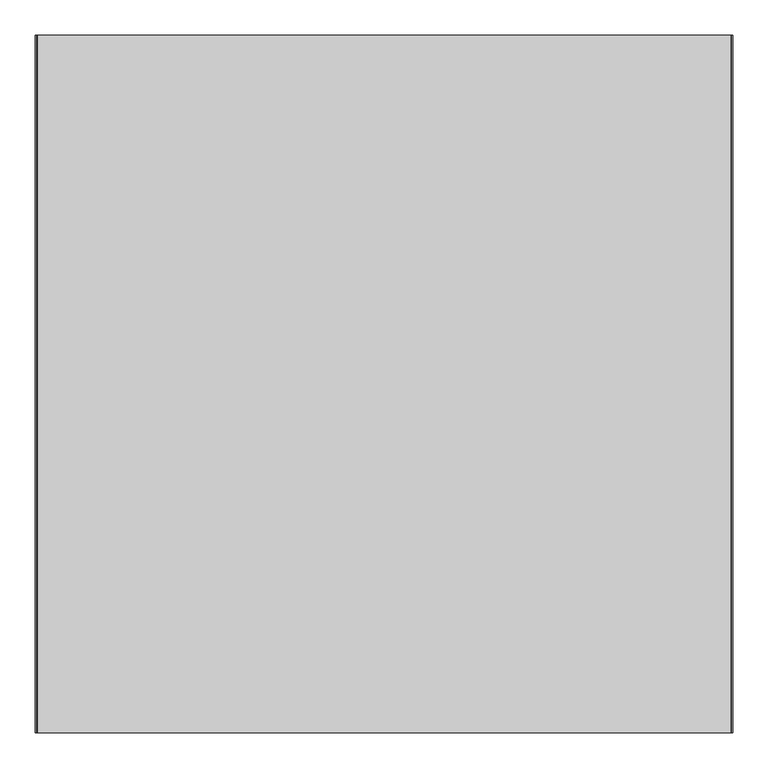
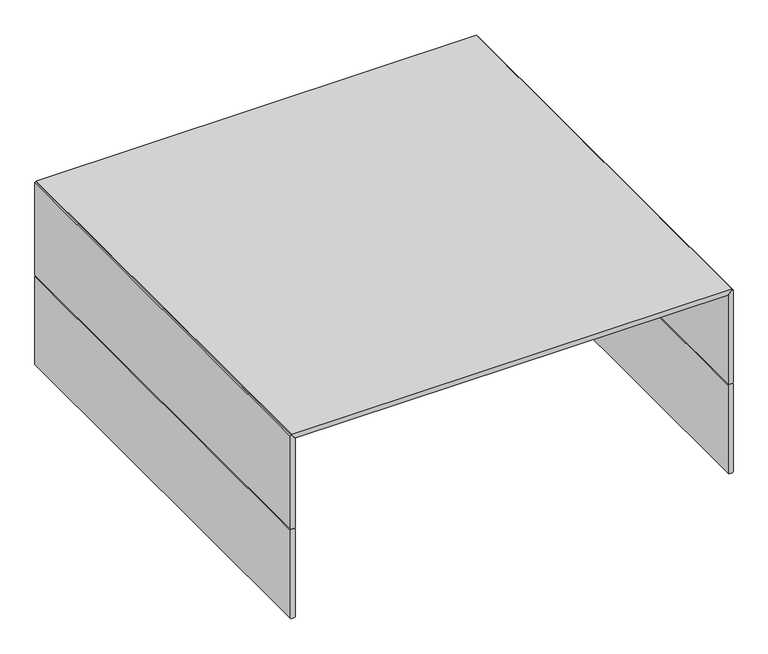
"""IFC4 building model written with IfcOpenShell, lengths in millimetres: furniture geometry."""

from ifc_helpers import new_model, si_unit, frame, origin, place, context, project, spatial, polyline, outline, extrude, source, transform, mapped, element, save


def furniture_d4fd337d(model_context):
    return source(origin(), model_context, "Body", "SweptSolid", [
        extrude(outline(polyline([(212.725, 488.95), (211.1375, 487.3625), (1.5875, 487.3625), (0.0, 488.95), (0.0, 496.8875), (1.5875, 498.475), (211.1375, 498.475), (212.725, 496.8875), (212.725, 488.95)])), frame((0.0, -502.5049408, 0.0), z_axis=(0.0, 1.0, 0.0), x_axis=(0.0, 0.0, 1.0)), (0.0, 0.0, 1.0), 996.95),
        extrude(outline(polyline([(212.725, -488.95), (212.725, -496.8875), (211.1375, -498.475), (1.5875, -498.475), (0.0, -496.8875), (0.0, -488.95), (1.5875, -487.3625), (211.1375, -487.3625), (212.725, -488.95)])), frame((0.0, -502.5049408, 0.0), z_axis=(0.0, 1.0, 0.0), x_axis=(0.0, 0.0, 1.0)), (0.0, 0.0, 1.0), 996.95),
        extrude(outline(polyline([(212.725, 488.95), (212.725, 496.8875), (214.3125, 498.475), (434.975, 498.475), (436.5625, 496.8875), (427.0375, 487.3625), (214.3125, 487.3625), (212.725, 488.95)])), frame((0.0, -502.5049408, 0.0), z_axis=(0.0, 1.0, 0.0), x_axis=(0.0, 0.0, 1.0)), (0.0, 0.0, 1.0), 996.95),
        extrude(outline(polyline([(212.725, -488.95), (214.3125, -487.3625), (427.0375, -487.3625), (436.5625, -496.8875), (434.975, -498.475), (214.3125, -498.475), (212.725, -496.8875), (212.725, -488.95)])), frame((0.0, -502.5049408, 0.0), z_axis=(0.0, 1.0, 0.0), x_axis=(0.0, 0.0, 1.0)), (0.0, 0.0, 1.0), 996.95),
        extrude(outline(polyline([(436.5625, -496.8875), (427.0375, -487.3625), (427.0375, 487.3625), (436.5625, 496.8875), (438.15, 495.3), (438.15, -495.3), (436.5625, -496.8875)])), frame((0.0, -502.5049408, 0.0), z_axis=(0.0, 1.0, 0.0), x_axis=(0.0, 0.0, 1.0)), (0.0, 0.0, 1.0), 996.95),
    ])


if __name__ == "__main__":
    model = new_model("IFC4")
    model_context = context("Model", 3, world=origin())
    ifc_project = project(units=[si_unit("LENGTHUNIT", "METRE", prefix="MILLI")], contexts=[model_context])
    site = spatial("IfcSite", under=ifc_project)
    building = spatial("IfcBuilding", under=site)
    placement = place(None, origin())
    furniture_shape = furniture_d4fd337d(model_context)
    element("IfcFurniture", 1, at=placement, inside=building, context=model_context, shape_type="MappedRepresentation", body=[
        mapped(furniture_shape, transform((0.0, 0.0, 0.0), x_axis=(1.0, 0.0, 0.0), y_axis=(0.0, 1.0, 0.0), z_axis=(0.0, 0.0, 1.0))),
    ])
    save(model, "model.ifc")
